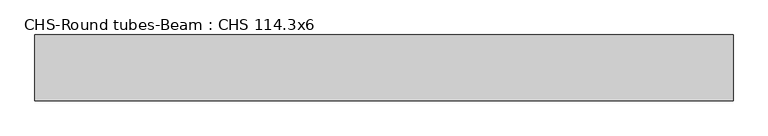
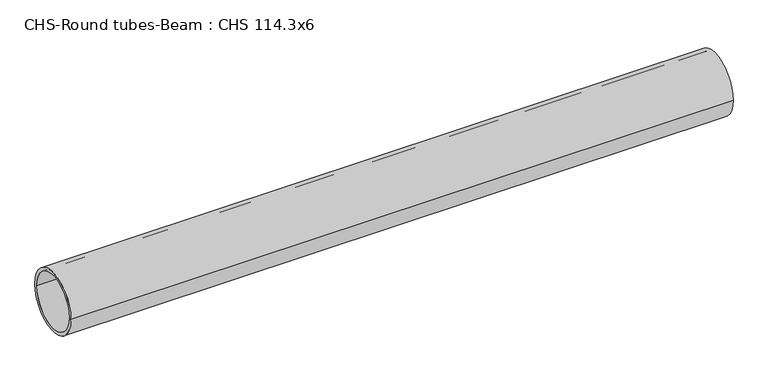
"""IFC4 building model written with IfcOpenShell, lengths in millimetres: beam geometry, CHS-Round tubes-Beam : CHS 114.3x6."""

import ifcopenshell
import ifcopenshell.guid

model = None  # the IFC model being written
_history = None  # IfcOwnerHistory: only IFC2X3 demands one
_inside = {}  # id of a spatial element -> (the spatial element, [elements in it])
_under = {}  # id of a project, library or spatial element -> (it, [spatial elements below it])
_declared = {}  # id of a project -> (the project, [libraries it declares])
_typed = {}  # id of a type object -> (the type object, [elements of that type])
_made_of = {}  # id of a material, layer set ... -> (it, [elements and type objects made of it])


def new_model(schema):
    """Start an empty IFC model of exactly this schema.

    Asked for "IFC4X3", IfcOpenShell would pick the latest addendum, in which some entities
    have other attributes; the version numbers below select the first issue.
    IFC2X3 requires an IfcOwnerHistory on every rooted entity: one is made here for all.
    """
    global model, _history
    if schema == "IFC4X3":
        model = ifcopenshell.file(schema_version=(4, 3, 0, 0))
    else:
        model = ifcopenshell.file(schema=schema)
    _inside.clear()
    _under.clear()
    _declared.clear()
    _typed.clear()
    _made_of.clear()
    _history = None
    if model.schema == "IFC2X3":
        org = make("IfcOrganization", Name="unknown")
        user = make(
            "IfcPersonAndOrganization",
            ThePerson=make("IfcPerson", FamilyName="unknown"),
            TheOrganization=org,
        )
        app = make(
            "IfcApplication",
            ApplicationDeveloper=org,
            Version="unknown",
            ApplicationFullName="unknown",
            ApplicationIdentifier="unknown",
        )
        _history = make(
            "IfcOwnerHistory",
            OwningUser=user,
            OwningApplication=app,
            ChangeAction="ADDED",
            CreationDate=0,
        )
    return model


def make(cls, **values):
    """One entity of the class cls with the attributes given. An attribute that is None is left unset."""
    return model.create_entity(
        cls, **{name: value for name, value in values.items() if value is not None}
    )


def rooted(cls, **values):
    """An entity with a GlobalId (a new one), such as an element, a storey or a relation."""
    return make(cls, GlobalId=ifcopenshell.guid.new(), OwnerHistory=_history, **values)


def si_unit(unit_type, name, prefix=None):
    """IfcSIUnit, for example si_unit("LENGTHUNIT", "METRE", prefix="MILLI")."""
    return make("IfcSIUnit", UnitType=unit_type, Prefix=prefix, Name=name)


def assignment(units):
    """IfcUnitAssignment: the units of a project."""
    return None if units is None else make("IfcUnitAssignment", Units=units)


def point(xyz):
    """IfcCartesianPoint."""
    return None if xyz is None else make("IfcCartesianPoint", Coordinates=xyz)


def direction(xyz):
    """IfcDirection."""
    return None if xyz is None else make("IfcDirection", DirectionRatios=xyz)


def frame(location, z_axis=None, x_axis=None):
    """IfcAxis2Placement3D, a coordinate frame: its origin and axes. An axis left out is left unset."""
    return make(
        "IfcAxis2Placement3D",
        Location=point(location),
        Axis=direction(z_axis),
        RefDirection=direction(x_axis),
    )


def frame_2d(location, x_axis=None):
    """IfcAxis2Placement2D, a coordinate frame in the plane: its origin and x axis."""
    return make(
        "IfcAxis2Placement2D", Location=point(location), RefDirection=direction(x_axis)
    )


def origin():
    """The frame at (0, 0, 0) with its axes left unset."""
    return frame((0.0, 0.0, 0.0))


def origin_2d():
    """The frame at (0, 0) in the plane with its x axis left unset."""
    return frame_2d((0.0, 0.0))


def place(relative_to, where):
    """IfcLocalPlacement: puts the frame where relative to a parent placement (None: the world)."""
    return make(
        "IfcLocalPlacement", PlacementRelTo=relative_to, RelativePlacement=where
    )


def context(
    kind, dimensions, precision=None, world=None, true_north=None, identifier=None
):
    """IfcGeometricRepresentationContext, for example the 3D "Model" context."""
    return make(
        "IfcGeometricRepresentationContext",
        ContextIdentifier=identifier,
        ContextType=kind,
        CoordinateSpaceDimension=dimensions,
        Precision=precision,
        WorldCoordinateSystem=world,
        TrueNorth=true_north,
    )


def project(units=None, contexts=None):
    """IfcProject with its units and contexts."""
    return rooted(
        "IfcProject",
        Name="project",
        RepresentationContexts=contexts,
        UnitsInContext=assignment(units),
    )


def spatial(cls, under=None, at=None, **own):
    """A site, building, storey or space (cls), placed at a placement, below another one or the project."""
    s = rooted(cls, ObjectPlacement=at, **own)
    if under is not None:
        _under.setdefault(under.id(), (under, []))[1].append(s)
    return s


def circle_curve(where, radius):
    """IfcCircle in the frame where."""
    return make("IfcCircle", Position=where, Radius=radius)


def trimmed(basis, trim1, trim2, sense, master):
    """IfcTrimmedCurve: the piece of a basis curve between two trims."""
    return make(
        "IfcTrimmedCurve",
        BasisCurve=basis,
        Trim1=trim1,
        Trim2=trim2,
        SenseAgreement=sense,
        MasterRepresentation=master,
    )


def segment(curve, same_sense, transition):
    """IfcCompositeCurveSegment."""
    return make(
        "IfcCompositeCurveSegment",
        Transition=transition,
        SameSense=same_sense,
        ParentCurve=curve,
    )


def composite_curve(segments, self_intersect=None):
    """IfcCompositeCurve: segments joined end to end."""
    return make("IfcCompositeCurve", Segments=segments, SelfIntersect=self_intersect)


def outline(outer, holes=None, kind="AREA"):
    """IfcArbitraryClosedProfileDef: a profile drawn as a closed curve; with holes, ...WithVoids."""
    if holes is None:
        return make("IfcArbitraryClosedProfileDef", ProfileType=kind, OuterCurve=outer)
    return make(
        "IfcArbitraryProfileDefWithVoids",
        ProfileType=kind,
        OuterCurve=outer,
        InnerCurves=holes,
    )


def extrude(swept, where, along, depth):
    """IfcExtrudedAreaSolid: the profile swept, set in the frame where, extruded along a direction by depth."""
    return make(
        "IfcExtrudedAreaSolid",
        SweptArea=swept,
        Position=where,
        ExtrudedDirection=direction(along),
        Depth=depth,
    )


def shape(context_of_items, identifier, shape_type, items):
    """IfcShapeRepresentation: the items that make up one representation, for example the "Body"."""
    return make(
        "IfcShapeRepresentation",
        ContextOfItems=context_of_items,
        RepresentationIdentifier=identifier,
        RepresentationType=shape_type,
        Items=items,
    )


def source(mapping_origin, context_of_items, identifier, shape_type, items):
    """IfcRepresentationMap: a shape defined once, which mapped items show again and again."""
    return make(
        "IfcRepresentationMap",
        MappingOrigin=mapping_origin,
        MappedRepresentation=shape(context_of_items, identifier, shape_type, items),
    )


def transform(
    local_origin,
    x_axis=None,
    y_axis=None,
    z_axis=None,
    scale=None,
    scale2=None,
    scale3=None,
    uniform=True,
):
    """IfcCartesianTransformationOperator3D, or its non-uniform kind. x_axis, y_axis, z_axis: its Axis1, 2, 3."""
    if uniform:
        return make(
            "IfcCartesianTransformationOperator3D",
            Axis1=direction(x_axis),
            Axis2=direction(y_axis),
            LocalOrigin=point(local_origin),
            Scale=scale,
            Axis3=direction(z_axis),
        )
    return make(
        "IfcCartesianTransformationOperator3DnonUniform",
        Axis1=direction(x_axis),
        Axis2=direction(y_axis),
        LocalOrigin=point(local_origin),
        Scale=scale,
        Axis3=direction(z_axis),
        Scale2=scale2,
        Scale3=scale3,
    )


def mapped(mapping_source, mapping_target):
    """IfcMappedItem: shows the shape of a source again, moved by a transform."""
    return make(
        "IfcMappedItem", MappingSource=mapping_source, MappingTarget=mapping_target
    )


def made_of(thing, what):
    """Note that an element or type object is made of a material, layer set ...; save() writes the relation."""
    if what is not None:
        _made_of.setdefault(what.id(), (what, []))[1].append(thing)
    return thing


def element(
    cls,
    number,
    at=None,
    inside=None,
    cuts=None,
    type_object=None,
    material=None,
    context=None,
    identifier="Body",
    shape_type=None,
    held_by="IfcProductDefinitionShape",
    body=None,
    shapes=None,
    **own,
):
    """One element of the class cls, such as IfcWall. Its Tag is "e" and its number.

    at: its placement. inside: the storey or other place that contains it. cuts: it is an
    opening in that element (IfcRelVoidsElement). A single representation is given by context,
    identifier, shape_type and body (its items); several are given by shapes. held_by: the class
    of the entity that holds the representations. save() writes the other relations.
    """
    e = rooted(cls, Tag="e%d" % number, ObjectPlacement=at, **own)
    if body is not None:
        shapes = [shape(context, identifier, shape_type, body)]
    if shapes is not None:
        e.Representation = make(held_by, Representations=shapes)
    if inside is not None:
        _inside.setdefault(inside.id(), (inside, []))[1].append(e)
    if cuts is not None:
        rooted(
            "IfcRelVoidsElement", RelatingBuildingElement=cuts, RelatedOpeningElement=e
        )
    if type_object is not None:
        _typed.setdefault(type_object.id(), (type_object, []))[1].append(e)
    return made_of(e, material)


def aggregate(whole, parts):
    """IfcRelAggregates: a whole, such as a stair, and the parts it consists of."""
    return rooted("IfcRelAggregates", RelatingObject=whole, RelatedObjects=parts)


def save(model, path):
    """Write the relations noted so far, then the file.

    IfcRelAggregates (storeys below a building ...), IfcRelContainedInSpatialStructure (elements
    in a storey), IfcRelDefinesByType, IfcRelAssociatesMaterial and IfcRelDeclares: one each for
    every whole, place, type object, material and project.
    """
    for whole, parts in _under.values():
        aggregate(whole, parts)
    for where, things in _inside.values():
        rooted(
            "IfcRelContainedInSpatialStructure",
            RelatedElements=things,
            RelatingStructure=where,
        )
    for kind, things in _typed.values():
        rooted("IfcRelDefinesByType", RelatedObjects=things, RelatingType=kind)
    for what, things in _made_of.values():
        rooted("IfcRelAssociatesMaterial", RelatedObjects=things, RelatingMaterial=what)
    for by, libraries in _declared.values():
        rooted("IfcRelDeclares", RelatingContext=by, RelatedDefinitions=libraries)
    model.write(path)


def chs_round_tubes_beam_chs_114_3x6_3f049999(model_context):
    return source(origin(), model_context, "Body", "SweptSolid", [
        extrude(outline(composite_curve([segment(trimmed(circle_curve(origin_2d(), 57.15), [point((57.15, 0.0))], [point((-57.15, 0.0))], False, "CARTESIAN"), True, "CONTINUOUS"), segment(trimmed(circle_curve(origin_2d(), 57.15), [point((-57.15, 0.0))], [point((57.15, 0.0))], False, "CARTESIAN"), True, "CONTINUOUS")], self_intersect=False), holes=[composite_curve([segment(trimmed(circle_curve(origin_2d(), 51.15), [point((51.15, 0.0))], [point((-51.15, 0.0))], True, "CARTESIAN"), True, "CONTINUOUS"), segment(trimmed(circle_curve(origin_2d(), 51.15), [point((-51.15, 0.0))], [point((51.15, 0.0))], True, "CARTESIAN"), True, "CONTINUOUS")], self_intersect=False)]), frame((-592.8002746, 0.0, 0.0), z_axis=(1.0, 0.0, 0.0), x_axis=(0.0, 1.0, 0.0)), (0.0, 0.0, 1.0), 1212.670961),
    ])


if __name__ == "__main__":
    model = new_model("IFC4")
    model_context = context("Model", 3, world=origin())
    ifc_project = project(units=[si_unit("LENGTHUNIT", "METRE", prefix="MILLI")], contexts=[model_context])
    site = spatial("IfcSite", under=ifc_project)
    building = spatial("IfcBuilding", under=site)
    placement = place(None, origin())
    chs_round_tubes_beam_chs_114_3x6_shape = chs_round_tubes_beam_chs_114_3x6_3f049999(model_context)
    element("IfcBeam", 1, ObjectType="CHS-Round tubes-Beam : CHS 114.3x6", at=placement, inside=building, context=model_context, shape_type="MappedRepresentation", body=[
        mapped(chs_round_tubes_beam_chs_114_3x6_shape, transform((0.0, 0.0, 0.0), x_axis=(1.0, 0.0, 0.0), y_axis=(0.0, 1.0, 0.0), z_axis=(0.0, 0.0, 1.0))),
    ])
    save(model, "model.ifc")
